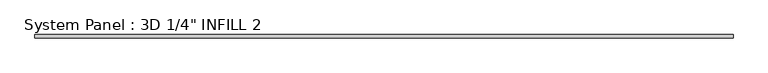
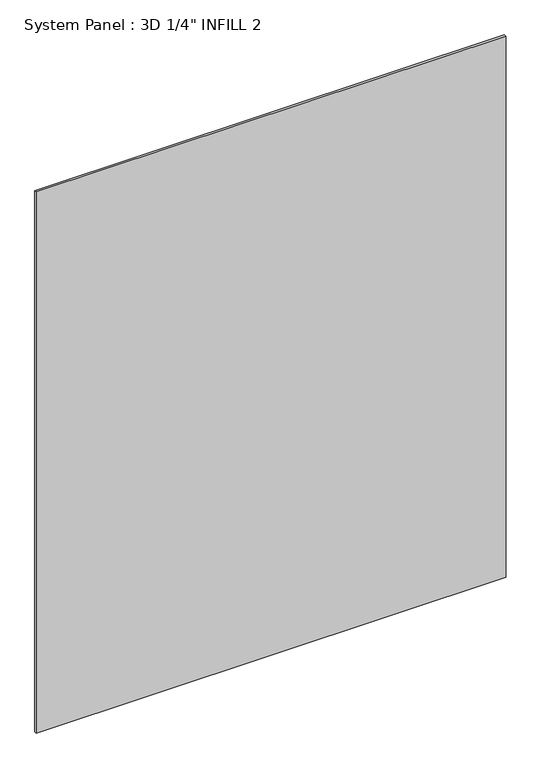
"""IFC4 building model written with IfcOpenShell, lengths in millimetres: plate geometry."""

import ifcopenshell
import ifcopenshell.guid

model = None  # the IFC model being written
_history = None  # IfcOwnerHistory: only IFC2X3 demands one
_inside = {}  # id of a spatial element -> (the spatial element, [elements in it])
_under = {}  # id of a project, library or spatial element -> (it, [spatial elements below it])
_declared = {}  # id of a project -> (the project, [libraries it declares])
_typed = {}  # id of a type object -> (the type object, [elements of that type])
_made_of = {}  # id of a material, layer set ... -> (it, [elements and type objects made of it])


def new_model(schema):
    """Start an empty IFC model of exactly this schema.

    Asked for "IFC4X3", IfcOpenShell would pick the latest addendum, in which some entities
    have other attributes; the version numbers below select the first issue.
    IFC2X3 requires an IfcOwnerHistory on every rooted entity: one is made here for all.
    """
    global model, _history
    if schema == "IFC4X3":
        model = ifcopenshell.file(schema_version=(4, 3, 0, 0))
    else:
        model = ifcopenshell.file(schema=schema)
    _inside.clear()
    _under.clear()
    _declared.clear()
    _typed.clear()
    _made_of.clear()
    _history = None
    if model.schema == "IFC2X3":
        org = make("IfcOrganization", Name="unknown")
        user = make(
            "IfcPersonAndOrganization",
            ThePerson=make("IfcPerson", FamilyName="unknown"),
            TheOrganization=org,
        )
        app = make(
            "IfcApplication",
            ApplicationDeveloper=org,
            Version="unknown",
            ApplicationFullName="unknown",
            ApplicationIdentifier="unknown",
        )
        _history = make(
            "IfcOwnerHistory",
            OwningUser=user,
            OwningApplication=app,
            ChangeAction="ADDED",
            CreationDate=0,
        )
    return model


def make(cls, **values):
    """One entity of the class cls with the attributes given. An attribute that is None is left unset."""
    return model.create_entity(
        cls, **{name: value for name, value in values.items() if value is not None}
    )


def rooted(cls, **values):
    """An entity with a GlobalId (a new one), such as an element, a storey or a relation."""
    return make(cls, GlobalId=ifcopenshell.guid.new(), OwnerHistory=_history, **values)


def si_unit(unit_type, name, prefix=None):
    """IfcSIUnit, for example si_unit("LENGTHUNIT", "METRE", prefix="MILLI")."""
    return make("IfcSIUnit", UnitType=unit_type, Prefix=prefix, Name=name)


def assignment(units):
    """IfcUnitAssignment: the units of a project."""
    return None if units is None else make("IfcUnitAssignment", Units=units)


def point(xyz):
    """IfcCartesianPoint."""
    return None if xyz is None else make("IfcCartesianPoint", Coordinates=xyz)


def direction(xyz):
    """IfcDirection."""
    return None if xyz is None else make("IfcDirection", DirectionRatios=xyz)


def frame(location, z_axis=None, x_axis=None):
    """IfcAxis2Placement3D, a coordinate frame: its origin and axes. An axis left out is left unset."""
    return make(
        "IfcAxis2Placement3D",
        Location=point(location),
        Axis=direction(z_axis),
        RefDirection=direction(x_axis),
    )


def origin():
    """The frame at (0, 0, 0) with its axes left unset."""
    return frame((0.0, 0.0, 0.0))


def origin_with_axes():
    """The frame at (0, 0, 0) with the z axis (0, 0, 1) and the x axis (1, 0, 0) written out."""
    return frame((0.0, 0.0, 0.0), z_axis=(0.0, 0.0, 1.0), x_axis=(1.0, 0.0, 0.0))


def place(relative_to, where):
    """IfcLocalPlacement: puts the frame where relative to a parent placement (None: the world)."""
    return make(
        "IfcLocalPlacement", PlacementRelTo=relative_to, RelativePlacement=where
    )


def context(
    kind, dimensions, precision=None, world=None, true_north=None, identifier=None
):
    """IfcGeometricRepresentationContext, for example the 3D "Model" context."""
    return make(
        "IfcGeometricRepresentationContext",
        ContextIdentifier=identifier,
        ContextType=kind,
        CoordinateSpaceDimension=dimensions,
        Precision=precision,
        WorldCoordinateSystem=world,
        TrueNorth=true_north,
    )


def project(units=None, contexts=None):
    """IfcProject with its units and contexts."""
    return rooted(
        "IfcProject",
        Name="project",
        RepresentationContexts=contexts,
        UnitsInContext=assignment(units),
    )


def spatial(cls, under=None, at=None, **own):
    """A site, building, storey or space (cls), placed at a placement, below another one or the project."""
    s = rooted(cls, ObjectPlacement=at, **own)
    if under is not None:
        _under.setdefault(under.id(), (under, []))[1].append(s)
    return s


def polyline(points):
    """IfcPolyline through the points."""
    return make("IfcPolyline", Points=[point(p) for p in points])


def outline(outer, holes=None, kind="AREA"):
    """IfcArbitraryClosedProfileDef: a profile drawn as a closed curve; with holes, ...WithVoids."""
    if holes is None:
        return make("IfcArbitraryClosedProfileDef", ProfileType=kind, OuterCurve=outer)
    return make(
        "IfcArbitraryProfileDefWithVoids",
        ProfileType=kind,
        OuterCurve=outer,
        InnerCurves=holes,
    )


def extrude(swept, where, along, depth):
    """IfcExtrudedAreaSolid: the profile swept, set in the frame where, extruded along a direction by depth."""
    return make(
        "IfcExtrudedAreaSolid",
        SweptArea=swept,
        Position=where,
        ExtrudedDirection=direction(along),
        Depth=depth,
    )


def shape(context_of_items, identifier, shape_type, items):
    """IfcShapeRepresentation: the items that make up one representation, for example the "Body"."""
    return make(
        "IfcShapeRepresentation",
        ContextOfItems=context_of_items,
        RepresentationIdentifier=identifier,
        RepresentationType=shape_type,
        Items=items,
    )


def source(mapping_origin, context_of_items, identifier, shape_type, items):
    """IfcRepresentationMap: a shape defined once, which mapped items show again and again."""
    return make(
        "IfcRepresentationMap",
        MappingOrigin=mapping_origin,
        MappedRepresentation=shape(context_of_items, identifier, shape_type, items),
    )


def transform(
    local_origin,
    x_axis=None,
    y_axis=None,
    z_axis=None,
    scale=None,
    scale2=None,
    scale3=None,
    uniform=True,
):
    """IfcCartesianTransformationOperator3D, or its non-uniform kind. x_axis, y_axis, z_axis: its Axis1, 2, 3."""
    if uniform:
        return make(
            "IfcCartesianTransformationOperator3D",
            Axis1=direction(x_axis),
            Axis2=direction(y_axis),
            LocalOrigin=point(local_origin),
            Scale=scale,
            Axis3=direction(z_axis),
        )
    return make(
        "IfcCartesianTransformationOperator3DnonUniform",
        Axis1=direction(x_axis),
        Axis2=direction(y_axis),
        LocalOrigin=point(local_origin),
        Scale=scale,
        Axis3=direction(z_axis),
        Scale2=scale2,
        Scale3=scale3,
    )


def mapped(mapping_source, mapping_target):
    """IfcMappedItem: shows the shape of a source again, moved by a transform."""
    return make(
        "IfcMappedItem", MappingSource=mapping_source, MappingTarget=mapping_target
    )


def made_of(thing, what):
    """Note that an element or type object is made of a material, layer set ...; save() writes the relation."""
    if what is not None:
        _made_of.setdefault(what.id(), (what, []))[1].append(thing)
    return thing


def element(
    cls,
    number,
    at=None,
    inside=None,
    cuts=None,
    type_object=None,
    material=None,
    context=None,
    identifier="Body",
    shape_type=None,
    held_by="IfcProductDefinitionShape",
    body=None,
    shapes=None,
    **own,
):
    """One element of the class cls, such as IfcWall. Its Tag is "e" and its number.

    at: its placement. inside: the storey or other place that contains it. cuts: it is an
    opening in that element (IfcRelVoidsElement). A single representation is given by context,
    identifier, shape_type and body (its items); several are given by shapes. held_by: the class
    of the entity that holds the representations. save() writes the other relations.
    """
    e = rooted(cls, Tag="e%d" % number, ObjectPlacement=at, **own)
    if body is not None:
        shapes = [shape(context, identifier, shape_type, body)]
    if shapes is not None:
        e.Representation = make(held_by, Representations=shapes)
    if inside is not None:
        _inside.setdefault(inside.id(), (inside, []))[1].append(e)
    if cuts is not None:
        rooted(
            "IfcRelVoidsElement", RelatingBuildingElement=cuts, RelatedOpeningElement=e
        )
    if type_object is not None:
        _typed.setdefault(type_object.id(), (type_object, []))[1].append(e)
    return made_of(e, material)


def aggregate(whole, parts):
    """IfcRelAggregates: a whole, such as a stair, and the parts it consists of."""
    return rooted("IfcRelAggregates", RelatingObject=whole, RelatedObjects=parts)


def save(model, path):
    """Write the relations noted so far, then the file.

    IfcRelAggregates (storeys below a building ...), IfcRelContainedInSpatialStructure (elements
    in a storey), IfcRelDefinesByType, IfcRelAssociatesMaterial and IfcRelDeclares: one each for
    every whole, place, type object, material and project.
    """
    for whole, parts in _under.values():
        aggregate(whole, parts)
    for where, things in _inside.values():
        rooted(
            "IfcRelContainedInSpatialStructure",
            RelatedElements=things,
            RelatingStructure=where,
        )
    for kind, things in _typed.values():
        rooted("IfcRelDefinesByType", RelatedObjects=things, RelatingType=kind)
    for what, things in _made_of.values():
        rooted("IfcRelAssociatesMaterial", RelatedObjects=things, RelatingMaterial=what)
    for by, libraries in _declared.values():
        rooted("IfcRelDeclares", RelatingContext=by, RelatedDefinitions=libraries)
    model.write(path)


def plate_bbb76840(model_context):
    return source(origin(), model_context, "Body", "SweptSolid", [
        extrude(outline(polyline([(698.5, -8.6320312), (-698.5, -8.6320312), (-698.5, -2.2820312), (698.5, -2.2820312), (698.5, -8.6320312)])), origin_with_axes(), (0.0, 0.0, 1.0), 1701.2284539),
    ])


if __name__ == "__main__":
    model = new_model("IFC4")
    model_context = context("Model", 3, world=origin())
    ifc_project = project(units=[si_unit("LENGTHUNIT", "METRE", prefix="MILLI")], contexts=[model_context])
    site = spatial("IfcSite", under=ifc_project)
    building = spatial("IfcBuilding", under=site)
    placement = place(None, origin())
    plate_shape = plate_bbb76840(model_context)
    element("IfcPlate", 1, ObjectType="System Panel : 3D 1/4\" INFILL 2", at=placement, inside=building, context=model_context, shape_type="MappedRepresentation", body=[
        mapped(plate_shape, transform((0.0, 0.0, 0.0), x_axis=(1.0, 0.0, 0.0), y_axis=(0.0, 1.0, 0.0), z_axis=(0.0, 0.0, 1.0))),
    ])
    save(model, "model.ifc")
